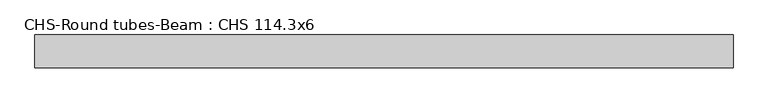
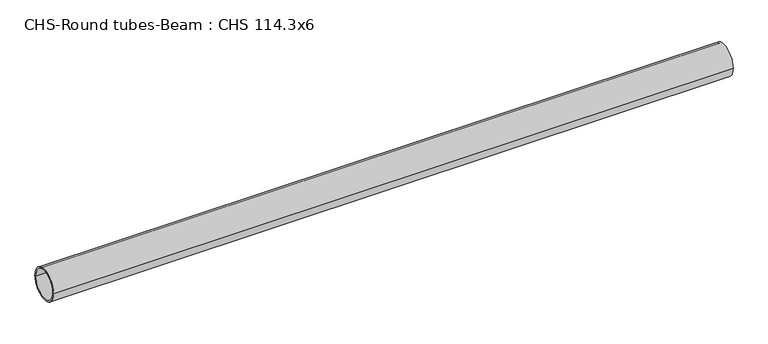
"""IFC4 building model written with IfcOpenShell, lengths in millimetres: beam geometry, CHS-Round tubes-Beam : CHS 114.3x6."""

from ifc_helpers import new_model, si_unit, point, frame, origin, origin_2d, place, context, project, spatial, circle_curve, trimmed, segment, composite_curve, outline, extrude, source, transform, mapped, element, save


def chs_round_tubes_beam_chs_114_3x6_352bd04d(model_context):
    return source(origin(), model_context, "Body", "SweptSolid", [
        extrude(outline(composite_curve([segment(trimmed(circle_curve(origin_2d(), 57.15), [point((57.15, 0.0))], [point((-57.15, 0.0))], False, "CARTESIAN"), True, "CONTINUOUS"), segment(trimmed(circle_curve(origin_2d(), 57.15), [point((-57.15, 0.0))], [point((57.15, 0.0))], False, "CARTESIAN"), True, "CONTINUOUS")], self_intersect=False), holes=[composite_curve([segment(trimmed(circle_curve(origin_2d(), 51.15), [point((51.15, 0.0))], [point((-51.15, 0.0))], True, "CARTESIAN"), True, "CONTINUOUS"), segment(trimmed(circle_curve(origin_2d(), 51.15), [point((-51.15, 0.0))], [point((51.15, 0.0))], True, "CARTESIAN"), True, "CONTINUOUS")], self_intersect=False)]), frame((-1177.8607478, 0.0, 0.0), z_axis=(1.0, 0.0, 0.0), x_axis=(0.0, 1.0, 0.0)), (0.0, 0.0, 1.0), 2423.9094336),
    ])


if __name__ == "__main__":
    model = new_model("IFC4")
    model_context = context("Model", 3, world=origin())
    ifc_project = project(units=[si_unit("LENGTHUNIT", "METRE", prefix="MILLI")], contexts=[model_context])
    site = spatial("IfcSite", under=ifc_project)
    building = spatial("IfcBuilding", under=site)
    placement = place(None, origin())
    chs_round_tubes_beam_chs_114_3x6_shape = chs_round_tubes_beam_chs_114_3x6_352bd04d(model_context)
    element("IfcBeam", 1, ObjectType="CHS-Round tubes-Beam : CHS 114.3x6", at=placement, inside=building, context=model_context, shape_type="MappedRepresentation", body=[
        mapped(chs_round_tubes_beam_chs_114_3x6_shape, transform((0.0, 0.0, 0.0), x_axis=(1.0, 0.0, 0.0), y_axis=(0.0, 1.0, 0.0), z_axis=(0.0, 0.0, 1.0))),
    ])
    save(model, "model.ifc")
